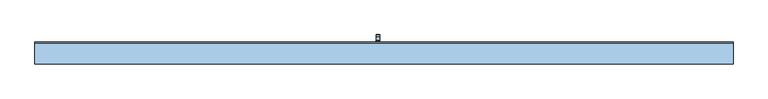
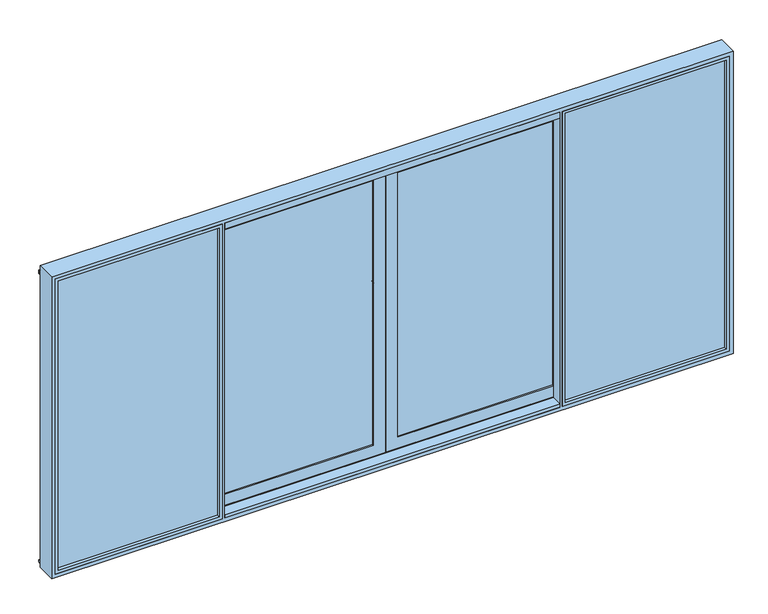
"""IFC4 building model written with IfcOpenShell, lengths in millimetres: window geometry."""

from ifc_helpers import new_model, si_unit, point, frame, frame_2d, origin, place, context, project, spatial, polyline, circle_curve, trimmed, segment, composite_curve, outline, extrude, faceted_brep, source, transform, mapped, element, save
from ifc_brep_helpers import plane_surface, cylinder_surface, revolved_surface, advanced_brep


def window_45327b01(model_context):
    return source(origin(), model_context, "Body", "SolidModel", [
        advanced_brep(
        [(-30.25, 121.9999695, 999.005052), (-54.25, 121.9999695, 999.005052), (-54.25, 121.9999695, 1224.2360009), (-30.25, 121.9999695, 1224.2360009), (-30.25, 73.9999695, 999.005052), (-54.25, 73.9999695, 999.005052), (-30.25, 109.9999695, 999.005052), (-54.25, 109.9999695, 999.005052), (-54.25, 109.9999695, 1214.6494011), (-54.25, 102.6493095, 1222.000061), (-54.25, 81.9999695, 1222.000061), (-54.25, 79.9999695, 1224.000061), (-54.25, 79.9999695, 1235.000061), (-54.25, 81.9999695, 1237.000061), (-54.25, 109.2359094, 1237.000061), (-54.25, 110.6501229, 1236.4142746), (-54.25, 121.414183, 1225.6502145), (-30.25, 121.414183, 1225.6502145), (-30.25, 110.6501229, 1236.4142746), (-30.25, 109.2359094, 1237.000061), (-30.25, 81.9999695, 1237.000061), (-30.25, 79.9999695, 1235.000061), (-30.25, 79.9999695, 1224.000061), (-30.25, 81.9999695, 1222.000061), (-30.25, 102.6493095, 1222.000061), (-30.25, 109.9999695, 1214.6494011)],
        [
            (0, 1, circle_curve(frame((-42.25, 121.9999695, 999.005052), z_axis=(0.0, 1.0, 0.0), x_axis=(-1.0000000000000009, 0.0, 0.0)), 12.0)),
            (1, 2),
            (2, 3),
            (3, 0),
            (4, 5, circle_curve(frame((-42.25, 73.9999695, 999.005052), z_axis=(0.0, -1.0, 0.0), x_axis=(-1.0000000000000009, 0.0, 0.0)), 12.0)),
            (5, 4, circle_curve(frame((-42.25, 73.9999695, 999.005052), z_axis=(0.0, -1.0, 0.0), x_axis=(-1.0000000000000009, 0.0, 0.0)), 12.0)),
            (0, 6),
            (6, 4),
            (5, 7),
            (7, 1),
            (6, 7, circle_curve(frame((-42.25, 109.9999695, 999.005052), z_axis=(0.0, -1.0, 0.0), x_axis=(-1.0000000000000009, 0.0, 0.0)), 12.0)),
            (7, 8),
            (8, 9, circle_curve(frame((-54.25, 102.6493095, 1214.6494011), z_axis=(1.0, 0.0, 0.0), x_axis=(0.0, 0.0, -1.0)), 7.35066)),
            (9, 10),
            (10, 11, circle_curve(frame((-54.25, 81.9999695, 1224.000061), z_axis=(-1.0, 0.0, 0.0), x_axis=(0.0, 0.0, -1.0)), 2.0)),
            (11, 12),
            (12, 13, circle_curve(frame((-54.25, 81.9999695, 1235.000061), z_axis=(-1.0, 0.0, 0.0), x_axis=(0.0, 0.0, -1.0)), 2.0)),
            (13, 14),
            (14, 15, circle_curve(frame((-54.25, 109.2359094, 1235.000061), z_axis=(-1.0, 0.0, 0.0), x_axis=(0.0, 0.0, -1.0)), 2.0)),
            (15, 16),
            (16, 2, circle_curve(frame((-54.25, 119.9999695, 1224.2360009), z_axis=(-1.0, 0.0, 0.0), x_axis=(0.0, 0.0, -1.0)), 2.0)),
            (3, 17, circle_curve(frame((-30.25, 119.9999695, 1224.2360009), z_axis=(1.0, 0.0, 0.0), x_axis=(0.0, 0.0, -1.0)), 2.0)),
            (17, 18),
            (18, 19, circle_curve(frame((-30.25, 109.2359094, 1235.000061), z_axis=(1.0, 0.0, 0.0), x_axis=(0.0, 0.0, -1.0)), 2.0)),
            (19, 20),
            (20, 21, circle_curve(frame((-30.25, 81.9999695, 1235.000061), z_axis=(1.0, 0.0, 0.0), x_axis=(0.0, 0.0, -1.0)), 2.0)),
            (21, 22),
            (22, 23, circle_curve(frame((-30.25, 81.9999695, 1224.000061), z_axis=(1.0, 0.0, 0.0), x_axis=(0.0, 0.0, -1.0)), 2.0)),
            (23, 24),
            (24, 25, circle_curve(frame((-30.25, 102.6493095, 1214.6494011), z_axis=(-1.0, 0.0, 0.0), x_axis=(0.0, 0.0, -1.0)), 7.35066)),
            (25, 6),
            (25, 8),
            (24, 9),
            (23, 10),
            (22, 11),
            (21, 12),
            (20, 13),
            (19, 14),
            (18, 15),
            (17, 16),
        ],
        [
            plane_surface(frame((-54.25, 121.9999695, 999.005052), z_axis=(0.0, 1.0, 0.0), x_axis=(0.0, 0.0, 1.0))),
            plane_surface(frame((-54.25, 73.9999695, 999.005052), z_axis=(0.0, -1.0, 0.0), x_axis=(0.0, 0.0, -1.0))),
            cylinder_surface(frame((-42.25, 73.9999695, 999.005052), z_axis=(0.0, 1.0000000000000009, 0.0), x_axis=(-1.0000000000000009, 0.0, 0.0)), 12.0),
            plane_surface(frame((-54.25, 121.9999695, 1004.7503433), z_axis=(-1.0, 0.0, 0.0), x_axis=(0.0, 0.0, -1.0))),
            plane_surface(frame((-30.25, 121.9999695, 1004.7503433), z_axis=(1.0, 0.0, 0.0), x_axis=(0.0, 0.0, 1.0))),
            plane_surface(frame((-54.25, 109.9999695, 999.0), z_axis=(0.0, -1.0, 0.0), x_axis=(1.0, 0.0, 0.0))),
            revolved_surface(polyline([(-30.25, 102.6493095, 1207.2987411), (-54.25000000000004, 102.6493095, 1207.2987411)]), (-30.25, 102.6493095, 1214.6494011), (1.0000000000000009, 0.0, 0.0)),
            plane_surface(frame((-54.25, 102.6493095, 1222.000061), z_axis=(0.0, 0.0, -1.0), x_axis=(1.0, 0.0, 0.0))),
            cylinder_surface(frame((-30.25, 81.9999695, 1224.000061), z_axis=(-1.0000000000000009, 0.0, 0.0), x_axis=(0.0, 0.0, -1.0)), 2.0),
            plane_surface(frame((-54.25, 79.9999695, 1224.000061), z_axis=(0.0, -1.0, 0.0), x_axis=(1.0, 0.0, 0.0))),
            cylinder_surface(frame((-30.25, 81.9999695, 1235.000061), z_axis=(-1.0000000000000009, 0.0, 0.0), x_axis=(0.0, 0.0, -1.0)), 2.0),
            plane_surface(frame((-54.25, 81.9999695, 1237.000061), z_axis=(0.0, 0.0, 1.0), x_axis=(1.0, 0.0, 0.0))),
            cylinder_surface(frame((-30.25, 109.2359094, 1235.000061), z_axis=(-1.0000000000000009, 0.0, 0.0), x_axis=(0.0, 0.0, -1.0)), 2.0),
            plane_surface(frame((-54.25, 110.6501229, 1236.4142746), z_axis=(0.0, 0.7071067811865419, 0.7071067811865531), x_axis=(1.0, 0.0, 0.0))),
            cylinder_surface(frame((-30.25, 119.9999695, 1224.2360009), z_axis=(-1.0000000000000009, 0.0, 0.0), x_axis=(0.0, 0.0, -1.0)), 2.0),
        ],
        [
            (0, [[1, 2, 3, 4]]),
            (1, [[5, 6]]),
            (2, [[-1, 7, 8, -6, 9, 10]]),
            (2, [[-5, -8, 11, -9]]),
            (3, [[-2, -10, 12, 13, 14, 15, 16, 17, 18, 19, 20, 21]]),
            (4, [[22, 23, 24, 25, 26, 27, 28, 29, 30, 31, -7, -4]]),
            (5, [[-12, -11, -31, 32]]),
            (6, [[-13, -32, -30, 33]]),
            (7, [[-14, -33, -29, 34]]),
            (8, [[-15, -34, -28, 35]]),
            (9, [[-16, -35, -27, 36]]),
            (10, [[-17, -36, -26, 37]]),
            (11, [[-18, -37, -25, 38]]),
            (12, [[-19, -38, -24, 39]]),
            (13, [[-20, -39, -23, 40]]),
            (14, [[-21, -40, -22, -3]]),
        ],
    ),
        extrude(outline(composite_curve([segment(polyline([(917.2823932, -25.5), (1044.0099288, -25.5)]), True, "CONTINUOUS"), segment(trimmed(circle_curve(frame_2d((1044.0099288, -42.25)), 16.75), [point((1044.0099288, -25.5))], [point((1044.0099288, -59.0))], False, "CARTESIAN"), True, "CONTINUOUS"), segment(polyline([(1044.0099288, -59.0), (917.2823932, -59.0)]), True, "CONTINUOUS"), segment(trimmed(circle_curve(frame_2d((917.2823932, -42.25)), 16.75), [point((917.2823932, -59.0))], [point((917.2823932, -25.5))], False, "CARTESIAN"), True, "CONTINUOUS")], self_intersect=False)), frame((0.0, 60.0, 0.0), z_axis=(0.0, 1.0, 0.0), x_axis=(0.0, 0.0, 1.0)), (0.0, 0.0, 1.0), 13.9999695),
        extrude(outline(polyline([(-1195.0, 2.55e-05), (-1195.0, -15.9999745), (-1215.0, -15.9999745), (-1215.0, 2.55e-05), (-1195.0, 2.55e-05)])), frame((0.0, 0.0, 4.0), z_axis=(0.0, 0.0, 1.0), x_axis=(1.0, 0.0, 0.0)), (0.0, 0.0, 1.0), 2127.0),
        faceted_brep([(-86.0, 2.55e-05, 86.0), (-86.0, 11.0000344, 86.0), (-1175.0, 11.0000344, 86.0), (-1175.0, 2.55e-05, 86.0), (-1197.0, 11.0000344, 64.0), (-64.0, 11.0000344, 64.0), (-64.0, 60.0, 64.0), (-1197.0, 60.0, 64.0), (-3.9982816, 2.55e-05, 4.0), (-1215.0, 2.55e-05, 4.0), (-1215.0, 60.0, 4.0), (-4.0, 60.0, 4.0), (-4.0, 54.5, 4.0), (-1197.0, 54.5, 4.0), (-1197.0, 11.0000344, 4.0), (-1175.0, 11.0000344, 4.0), (-1175.0, 5.4999923, 4.0), (-3.9982816, 5.4999923, 4.0), (-34.0, 54.5, 34.0), (-34.0, 5.4999923, 34.0), (-1175.0, 5.4999923, 34.0), (-1175.0, 11.0000344, 34.0), (-1197.0, 11.0000344, 34.0), (-1197.0, 54.5, 34.0), (-86.0, 2.55e-05, 2049.0), (-86.0, 11.0000344, 2049.0), (-64.0, 11.0000344, 2071.0), (-64.0, 60.0, 2071.0), (-4.0, 60.0, 2131.0), (-4.0, 54.5, 2131.0), (-34.0, 54.5, 2101.0), (-34.0, 5.4999923, 2101.0), (-3.9982816, 5.4999923, 2131.0017184), (-3.9982816, 2.55e-05, 2131.0017184), (-1175.0, 2.55e-05, 2049.0), (-1175.0, 11.0000344, 2049.0), (-1197.0, 11.0000344, 2071.0), (-1197.0, 60.0, 2071.0), (-1215.0, 60.0, 2131.0), (-1215.0, 2.55e-05, 2131.0), (-1175.0, 5.4999923, 2131.0), (-1175.0, 11.0000344, 2131.0), (-1197.0, 11.0000344, 2131.0), (-1197.0, 54.5, 2131.0), (-1197.0, 54.5, 2101.0), (-1197.0, 11.0000344, 2101.0), (-1175.0, 11.0000344, 2101.0), (-1175.0, 5.4999923, 2101.0)], [[[0, 1, 2, 3]], [[4, 5, 6, 7]], [[8, 9, 10, 11, 12, 13, 14, 15, 16, 17]], [[18, 19, 20, 21, 22, 23]], [[24, 25, 1, 0]], [[26, 27, 6, 5]], [[28, 29, 12, 11]], [[30, 31, 19, 18]], [[32, 33, 8, 17]], [[25, 24, 34, 35]], [[27, 26, 36, 37]], [[38, 39, 33, 32, 40, 41, 42, 43, 29, 28]], [[31, 30, 44, 45, 46, 47]], [[39, 38, 10, 9]], [[10, 38, 28, 11], [27, 37, 7, 6]], [[33, 39, 9, 8], [0, 3, 34, 24]], [[16, 15, 21, 20]], [[41, 40, 47, 46]], [[34, 3, 2, 35]], [[15, 14, 22, 21]], [[26, 5, 4, 36], [1, 25, 35, 2]], [[42, 41, 46, 45]], [[14, 13, 23, 22]], [[43, 42, 45, 44]], [[36, 4, 7, 37]], [[12, 29, 43, 44, 30, 18, 23, 13]], [[19, 31, 47, 40, 32, 17, 16, 20]]]),
        extrude(outline(polyline([(64.0, -1197.0), (64.0, -64.0), (2071.0, -64.0), (2071.0, -1197.0), (64.0, -1197.0)]), holes=[polyline([(86.012649, -1174.987351), (2048.987351, -1174.987351), (2048.987351, -86.012649), (86.012649, -86.012649), (86.012649, -1174.987351)])]), frame((0.0, 37.0000344, 0.0), z_axis=(0.0, 1.0, 0.0), x_axis=(0.0, 0.0, 1.0)), (0.0, 0.0, 1.0), 22.9999656),
        extrude(outline(polyline([(-64.0, 11.0000344), (-1197.0, 11.0000344), (-1197.0, 37.0000344), (-64.0, 37.0000344), (-64.0, 11.0000344)])), frame((0.0, 0.0, 64.0), z_axis=(0.0, 0.0, 1.0), x_axis=(1.0, 0.0, 0.0)), (0.0, 0.0, 1.0), 2007.0),
        extrude(outline(polyline([(1195.0, 2.55e-05), (1215.0, 2.55e-05), (1215.0, -15.9999745), (1195.0, -15.9999745), (1195.0, 2.55e-05)])), frame((0.0, 0.0, 4.0), z_axis=(0.0, 0.0, 1.0), x_axis=(1.0, 0.0, 0.0)), (0.0, 0.0, 1.0), 2127.0),
        faceted_brep([(86.0, 2.55e-05, 86.0), (1175.0, 2.55e-05, 86.0), (1175.0, 11.0000344, 86.0), (86.0, 11.0000344, 86.0), (1197.0, 11.0000344, 64.0), (1197.0, 60.0, 64.0), (64.0, 60.0, 64.0), (64.0, 11.0000344, 64.0), (3.9982816, 2.55e-05, 4.0), (3.9982816, 5.4999923, 4.0), (1175.0, 5.4999923, 4.0), (1175.0, 11.0000344, 4.0), (1197.0, 11.0000344, 4.0), (1197.0, 54.5, 4.0), (4.0, 54.5, 4.0), (4.0, 60.0, 4.0), (1215.0, 60.0, 4.0), (1215.0, 2.55e-05, 4.0), (34.0, 54.5, 34.0), (1197.0, 54.5, 34.0), (1197.0, 11.0000344, 34.0), (1175.0, 11.0000344, 34.0), (1175.0, 5.4999923, 34.0), (34.0, 5.4999923, 34.0), (86.0, 2.55e-05, 2049.0), (86.0, 11.0000344, 2049.0), (64.0, 11.0000344, 2071.0), (64.0, 60.0, 2071.0), (4.0, 60.0, 2131.0), (4.0, 54.5, 2131.0), (34.0, 54.5, 2101.0), (34.0, 5.4999923, 2101.0), (3.9982816, 5.4999923, 2131.0017184), (3.9982816, 2.55e-05, 2131.0017184), (1175.0, 11.0000344, 2049.0), (1175.0, 2.55e-05, 2049.0), (1197.0, 60.0, 2071.0), (1197.0, 11.0000344, 2071.0), (1215.0, 60.0, 2131.0), (1197.0, 54.5, 2131.0), (1197.0, 11.0000344, 2131.0), (1175.0, 11.0000344, 2131.0), (1175.0, 5.4999923, 2131.0), (1215.0, 2.55e-05, 2131.0), (1175.0, 5.4999923, 2101.0), (1175.0, 11.0000344, 2101.0), (1197.0, 11.0000344, 2101.0), (1197.0, 54.5, 2101.0)], [[[0, 1, 2, 3]], [[4, 5, 6, 7]], [[8, 9, 10, 11, 12, 13, 14, 15, 16, 17]], [[18, 19, 20, 21, 22, 23]], [[24, 0, 3, 25]], [[26, 7, 6, 27]], [[28, 15, 14, 29]], [[30, 18, 23, 31]], [[32, 9, 8, 33]], [[25, 34, 35, 24]], [[27, 36, 37, 26]], [[38, 28, 29, 39, 40, 41, 42, 32, 33, 43]], [[31, 44, 45, 46, 47, 30]], [[43, 17, 16, 38]], [[16, 15, 28, 38], [27, 6, 5, 36]], [[33, 8, 17, 43], [0, 24, 35, 1]], [[35, 34, 2, 1]], [[41, 45, 44, 42]], [[10, 22, 21, 11]], [[26, 37, 4, 7], [3, 2, 34, 25]], [[11, 21, 20, 12]], [[40, 46, 45, 41]], [[37, 36, 5, 4]], [[12, 20, 19, 13]], [[39, 47, 46, 40]], [[14, 13, 19, 18, 30, 47, 39, 29]], [[23, 22, 10, 9, 32, 42, 44, 31]]]),
        extrude(outline(polyline([(-12.2016228, 54.5), (34.0, 54.5), (34.0, 5.5000255), (-12.2016228, 5.5000255), (-12.2016228, 54.5)])), frame((0.0, 0.0, 34.0), z_axis=(0.0, 0.0, 1.0), x_axis=(1.0, 0.0, 0.0)), (0.0, 0.0, 1.0), 2067.0),
        extrude(outline(polyline([(64.0, 1197.0), (2071.0, 1197.0), (2071.0, 64.0), (64.0, 64.0), (64.0, 1197.0)]), holes=[polyline([(86.012649, 1174.987351), (86.012649, 86.012649), (2048.987351, 86.012649), (2048.987351, 1174.987351), (86.012649, 1174.987351)])]), frame((0.0, 37.0000344, 0.0), z_axis=(0.0, 1.0, 0.0), x_axis=(0.0, 0.0, 1.0)), (0.0, 0.0, 1.0), 22.9999656),
        extrude(outline(polyline([(64.0, 11.0000344), (64.0, 37.0000344), (1197.0, 37.0000344), (1197.0, 11.0000344), (64.0, 11.0000344)])), frame((0.0, 0.0, 64.0), z_axis=(0.0, 0.0, 1.0), x_axis=(1.0, 0.0, 0.0)), (0.0, 0.0, 1.0), 2007.0),
        extrude(outline(polyline([(2364.0, -30.9998071), (2364.0, -56.9998071), (1191.0000305, -56.9998071), (1191.0000305, -30.9998071), (2364.0, -30.9998071)])), frame((0.0, 0.0, -25.0), z_axis=(0.0, 0.0, 1.0), x_axis=(1.0, 0.0, 0.0)), (0.0, 0.0, 1.0), 2189.0),
        extrude(outline(polyline([(2164.0, 2364.0), (2164.0, 1191.0000305), (-25.0, 1191.0000305), (-25.0, 2364.0), (2164.0, 2364.0)]), holes=[polyline([(2141.9998171, 1213.0002134), (2141.9998171, 2341.9998171), (-2.9998171, 2341.9998171), (-2.9998171, 1213.0002134), (2141.9998171, 1213.0002134)])]), frame((0.0, -80.0, 0.0), z_axis=(0.0, 1.0, 0.0), x_axis=(0.0, 0.0, 1.0)), (0.0, 0.0, 1.0), 23.0001929),
        extrude(outline(polyline([(-1191.0000305, -30.9998071), (-1191.0000305, -56.9998071), (-2364.0, -56.9998071), (-2364.0, -30.9998071), (-1191.0000305, -30.9998071)])), frame((0.0, 0.0, -25.0), z_axis=(0.0, 0.0, 1.0), x_axis=(1.0, 0.0, 0.0)), (0.0, 0.0, 1.0), 2189.0),
        extrude(outline(polyline([(2164.0, -1191.0000305), (2164.0, -2364.0), (-25.0, -2364.0), (-25.0, -1191.0000305), (2164.0, -1191.0000305)]), holes=[polyline([(2141.9998171, -2341.9998171), (2141.9998171, -1213.0002134), (-2.9998171, -1213.0002134), (-2.9998171, -2341.9998171), (2141.9998171, -2341.9998171)])]), frame((0.0, -80.0, 0.0), z_axis=(0.0, 1.0, 0.0), x_axis=(0.0, 0.0, 1.0)), (0.0, 0.0, 1.0), 23.0001929),
        extrude(outline(polyline([(-2339.0, -15.0), (-2358.0007202, -15.0), (-2358.0007202, -11.0), (-2342.0, -11.0), (-2342.0, 48.2882381), (-2350.0, 51.2), (-2350.0, 60.0), (-2339.0, 60.0), (-2339.0, -15.0)])), frame((0.0, 0.0, -19.0), z_axis=(0.0, 0.0, 1.0), x_axis=(1.0, 0.0, 0.0)), (0.0, 0.0, 1.0), 2176.5),
        extrude(outline(polyline([(2339.0, -15.0), (2339.0, 60.0), (2350.0, 60.0), (2350.0, 51.2), (2342.0, 48.2882381), (2342.0, -11.0), (2358.0007202, -11.0), (2358.0007202, -15.0), (2339.0, -15.0)])), frame((0.0, 0.0, -19.0), z_axis=(0.0, 0.0, 1.0), x_axis=(1.0, 0.0, 0.0)), (0.0, 0.0, 1.0), 2176.5),
        faceted_brep([(-2390.0, -80.0, -51.0), (-2390.0, 60.0, -51.0), (2390.0, 60.0, -51.0), (2390.0, -80.0, -51.0), (-2390.0, -80.0, 2190.0), (-2390.0, 60.0, 2190.0), (2358.0007202, -20.0, -25.0), (2358.0007202, -20.0, 2155.2007202), (2358.0007202, 8.7999745, 2155.2007202), (2358.0007202, 8.7999745, -25.0), (-1175.0, -30.9998071, -25.0), (1175.0, -30.9998071, -25.0), (1175.0, -30.9998071, -3.0), (-1175.0, -30.9998071, -3.0), (-2364.0, -30.9998071, -25.0), (-1191.0000305, -30.9998071, -25.0), (-1191.0000305, -30.9998071, 2164.0), (-2364.0, -30.9998071, 2164.0), (-2342.0, -30.9998071, 2142.0), (-1215.0, -30.9998071, 2142.0), (-1215.0, -30.9998071, -3.0), (-2342.0, -30.9998071, -3.0), (2364.0, -30.9998071, 2164.0), (1191.0000305, -30.9998071, 2164.0), (1191.0000305, -30.9998071, -25.0), (2364.0, -30.9998071, -25.0), (2342.0, -30.9998071, -3.0), (1215.0, -30.9998071, -3.0), (1215.0, -30.9998071, 2142.0), (2342.0, -30.9998071, 2142.0), (-1175.0, -30.9998071, 2142.0), (1175.0, -30.9998071, 2142.0), (1175.0, -30.9998071, 2164.0), (-1175.0, -30.9998071, 2164.0), (2342.0, -20.0, 2142.0), (2342.0, -20.0, -3.0), (1195.0, -20.0, -25.0), (1195.0, -20.0, 2155.2007202), (1215.0, -20.0, 2142.0), (1215.0, -20.0, -3.0), (-2358.0007202, -20.0, 2155.2007202), (-1195.0, -20.0, 2155.2007202), (-1195.0, -20.0, -25.0), (-2358.0007202, -20.0, -25.0), (-2342.0, -20.0, -3.0), (-1215.0, -20.0, -3.0), (-1215.0, -20.0, 2142.0), (-2342.0, -20.0, 2142.0), (-1175.0, -20.0, 2155.2007202), (1175.0, -20.0, 2155.2007202), (1175.0, -20.0, 2142.0), (-1175.0, -20.0, 2142.0), (-1175.0, -20.0, -3.0), (1175.0, -20.0, -3.0), (1175.0, -20.0, -25.0), (-1175.0, -20.0, -25.0), (2390.0, 60.0, 2190.0), (2390.0, -80.0, 2190.0), (2364.0, -80.0, -25.0), (1191.0000305, -80.0, -25.0), (1191.0000305, -80.0, 2164.0), (2364.0, -80.0, 2164.0), (-1175.0, -80.0, -25.0), (-1175.0, -80.0, 2164.0), (1175.0, -80.0, 2164.0), (1175.0, -80.0, -25.0), (-2364.0, -80.0, 2164.0), (-1191.0000305, -80.0, 2164.0), (-1191.0000305, -80.0, -25.0), (-2364.0, -80.0, -25.0), (2358.0, 60.0, -19.0), (2358.0, 60.0, 2157.5), (-2358.0, 60.0, 2157.5), (-2358.0, 60.0, -19.0), (2358.0, 51.2, -19.0), (2358.0, 51.2, 2157.5), (-2358.0, 51.2, -19.0), (-2358.0, 51.2, 2157.5), (2350.0, 51.2, -11.0), (2350.0, 51.2, 2150.0), (-2350.0, 51.2, 2150.0), (-2350.0, 51.2, -11.0), (2342.0, 48.2882381, -3.0), (2342.0, 48.2882381, 2122.0), (2346.7030271, 50.0, 2122.0), (2346.7030271, 50.0, 2129.2), (2342.0, 48.2882381, 2130.9117619), (2342.0, 48.2882381, 2142.0), (-2342.0, 48.2882381, -3.0), (-2342.0, 11.7120237, -3.0), (2342.0, 11.7119985, -3.0), (-2342.0, 48.2882381, 2142.0), (-2342.0, 48.2882381, 2130.9117619), (-2346.7030271, 50.0, 2129.2), (-2346.7030271, 50.0, 2122.0), (-2342.0, 48.2882381, 2122.0), (2342.0, 11.7119985, 2122.0), (2342.0, 11.7119985, 2155.2007202), (2342.0, 15.8, 2155.2007202), (2342.0, 15.8, 2135.0), (2342.0, 11.7119985, 2130.9119985), (2342.0, 44.2, 2135.0), (2342.0, 44.2, 2142.0), (-2350.0007202, 8.7999745, -11.0007902), (2350.0007202, 8.7999745, -11.0007902), (-2342.0, 11.7119993, 2122.0), (-2342.0, 11.7119989, 2130.9119989), (-2342.0, 15.8, 2135.0), (-2342.0, 15.8, 2155.2007202), (-2342.0, 11.7119989, 2155.2007202), (-2342.0, 44.2, 2142.0), (-2342.0, 44.2, 2135.0), (2350.0007202, 8.7999745, 2155.2007202), (2346.7036773, 10.0, 2129.2), (2346.7036773, 10.0, 2122.0), (-2350.0007202, 8.7999745, 2155.2007202), (-2358.0007202, 8.7999745, 2155.2007202), (-2358.0007202, 8.7999745, -25.0), (-2346.7036773, 10.0, 2122.0), (-2346.7036773, 10.0, 2129.2), (-1195.0, -4.0, -25.0), (-1175.0, -4.0, -25.0), (1175.0, -4.0, -25.0), (1195.0, -4.0, -25.0), (1195.0, -4.0, 2155.2007202), (1175.0, -4.0, 2155.2007202), (-1175.0, -4.0, 2155.2007202), (-1195.0, -4.0, 2155.2007202)], [[[0, 1, 2, 3]], [[0, 4, 5, 1]], [[6, 7, 8, 9]], [[10, 11, 12, 13]], [[14, 15, 16, 17], [18, 19, 20, 21]], [[22, 23, 24, 25], [26, 27, 28, 29]], [[30, 31, 32, 33]], [[26, 29, 34, 35]], [[6, 36, 37, 7], [34, 38, 39, 35]], [[40, 41, 42, 43], [44, 45, 46, 47]], [[48, 49, 50, 51]], [[52, 53, 54, 55]], [[56, 5, 4, 57]], [[57, 4, 0, 3], [58, 59, 60, 61], [62, 63, 64, 65], [66, 67, 68, 69]], [[57, 3, 2, 56]], [[1, 5, 56, 2], [70, 71, 72, 73]], [[74, 75, 71, 70]], [[70, 73, 76, 74]], [[76, 77, 75, 74], [78, 79, 80, 81]], [[73, 72, 77, 76]], [[82, 83, 84, 85, 86, 87, 79, 78]], [[78, 81, 88, 82]], [[82, 88, 89, 90]], [[81, 80, 91, 92, 93, 94, 95, 88]], [[90, 96, 83, 82]], [[97, 98, 99, 100]], [[86, 101, 102, 87]], [[90, 89, 103, 104]], [[88, 95, 105, 89]], [[106, 107, 108, 109]], [[91, 110, 111, 92]], [[104, 112, 97, 100, 113, 114, 96, 90]], [[103, 115, 116, 117, 9, 8, 112, 104]], [[89, 105, 118, 119, 106, 109, 115, 103]], [[9, 117, 43, 42, 120, 121, 55, 54, 122, 123, 36, 6]], [[36, 123, 124, 37]], [[125, 124, 123, 122]], [[64, 32, 31, 50, 49, 125, 122, 54, 53, 12, 11, 65]], [[62, 10, 13, 52, 55, 121, 126, 48, 51, 30, 33, 63]], [[127, 126, 121, 120]], [[120, 42, 41, 127]], [[117, 116, 40, 43]], [[13, 12, 53, 52]], [[21, 20, 45, 44]], [[35, 39, 27, 26]], [[38, 28, 27, 39]], [[44, 47, 18, 21]], [[45, 20, 19, 46]], [[69, 68, 15, 14]], [[62, 65, 11, 10]], [[24, 59, 58, 25]], [[14, 17, 66, 69]], [[67, 16, 15, 68]], [[58, 61, 22, 25]], [[59, 24, 23, 60]], [[17, 16, 67, 66]], [[33, 32, 64, 63]], [[61, 60, 23, 22]], [[47, 46, 19, 18]], [[51, 50, 31, 30]], [[29, 28, 38, 34]], [[98, 97, 112, 8, 7, 37, 124, 125, 49, 48, 126, 127, 41, 40, 116, 115, 109, 108]], [[118, 105, 95, 94, 84, 83, 96, 114]], [[119, 118, 114, 113]], [[107, 106, 119, 113, 100, 99]], [[108, 107, 99, 98]], [[87, 102, 110, 91]], [[111, 110, 102, 101]], [[93, 92, 111, 101, 86, 85]], [[79, 87, 91, 80]], [[94, 93, 85, 84]], [[71, 75, 77, 72]]]),
        extrude(outline(polyline([(73.0, -2.0), (73.0, -15.2), (66.4, -21.8), (60.0, -21.8), (60.0, -2.0), (73.0, -2.0)])), frame((-2390.0, 0.0, 0.0), z_axis=(1.0, 0.0, 0.0), x_axis=(0.0, 1.0, 0.0)), (0.0, 0.0, 1.0), 4780.0),
        extrude(outline(polyline([(51.2000255, 2150.5), (51.2000255, 2157.5), (59.9996967, 2157.5), (72.6000233, 2150.225198), (72.6000233, 2121.5), (71.0000233, 2121.5), (71.0000233, 2149.0706861), (68.5243789, 2150.5), (51.2000255, 2150.5)])), frame((-2390.0, 0.0, 0.0), z_axis=(1.0, 0.0, 0.0), x_axis=(0.0, 1.0, 0.0)), (0.0, 0.0, 1.0), 4780.0),
        extrude(outline(polyline([(60.0, 0.0), (60.0, -19.0), (51.2, -19.0), (51.2, -11.0), (48.2882381, -3.0), (41.9001183, -3.0), (41.9001183, 0.0), (60.0, 0.0)])), frame((-2339.0, 0.0, 0.0), z_axis=(1.0, 0.0, 0.0), x_axis=(0.0, 1.0, 0.0)), (0.0, 0.0, 1.0), 4678.0),
        extrude(outline(polyline([(18.1001183, 0.0), (18.1001183, -3.0), (11.712024, -3.0), (8.7999745, -11.0007902), (8.7999745, -25.0), (2.55e-05, -25.0), (2.55e-05, 0.0), (18.1001183, 0.0)])), frame((-2339.0, 0.0, 0.0), z_axis=(1.0, 0.0, 0.0), x_axis=(0.0, 1.0, 0.0)), (0.0, 0.0, 1.0), 4678.0),
        extrude(outline(polyline([(-4.0, 0.0), (-4.0, -11.0), (-12.8, -11.0), (-12.8, -3.0), (-60.5987802, -3.0), (-60.5987802, -25.0), (-80.0, -25.0), (-80.0, 0.0), (-4.0, 0.0)])), frame((-1175.0, 0.0, 0.0), z_axis=(1.0, 0.0, 0.0), x_axis=(0.0, 1.0, 0.0)), (0.0, 0.0, 1.0), 2350.0),
        extrude(outline(polyline([(-80.0, 2120.9), (-80.0, 2164.0), (-60.6, 2164.0), (-60.6, 2131.0), (-30.9998071, 2131.0), (-30.9998071, 2142.0), (-20.0, 2142.0), (-20.0, 2131.0), (-4.0, 2131.0), (-4.0, 2120.9), (-80.0, 2120.9)])), frame((-1175.0, 0.0, 0.0), z_axis=(1.0, 0.0, 0.0), x_axis=(0.0, 1.0, 0.0)), (0.0, 0.0, 1.0), 2350.0),
    ])


if __name__ == "__main__":
    model = new_model("IFC4")
    model_context = context("Model", 3, world=origin())
    ifc_project = project(units=[si_unit("LENGTHUNIT", "METRE", prefix="MILLI")], contexts=[model_context])
    site = spatial("IfcSite", under=ifc_project)
    building = spatial("IfcBuilding", under=site)
    placement = place(None, origin())
    window_shape = window_45327b01(model_context)
    element("IfcWindow", 1, at=placement, inside=building, context=model_context, shape_type="MappedRepresentation", body=[
        mapped(window_shape, transform((0.0, 0.0, 0.0), x_axis=(1.0, 0.0, 0.0), y_axis=(0.0, 1.0, 0.0), z_axis=(0.0, 0.0, 1.0))),
    ])
    save(model, "model.ifc")
